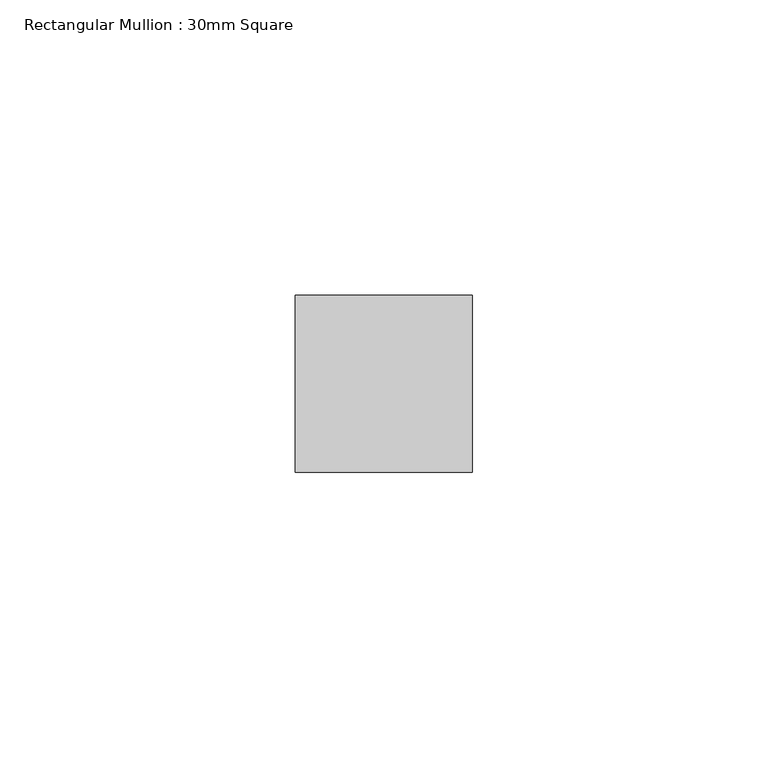
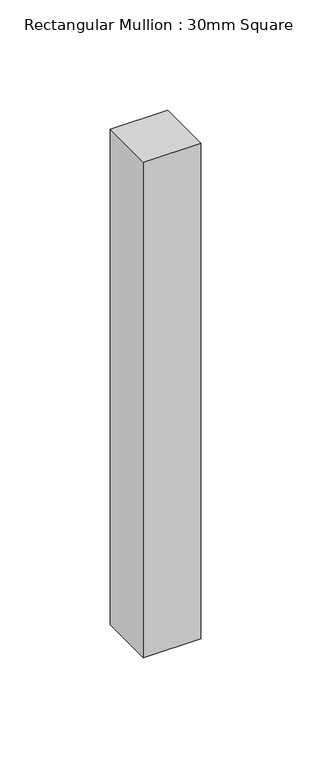
"""IFC4 building model written with IfcOpenShell, lengths in millimetres: member geometry, Rectangular Mullion : 30mm Square."""

from ifc_helpers import new_model, si_unit, frame, origin, place, context, project, spatial, polyline, outline, extrude, source, transform, mapped, element, save


def rectangular_mullion_30mm_square_4b7f29a8(model_context):
    return source(origin(), model_context, "Body", "SweptSolid", [
        extrude(outline(polyline([(15.0, 15.0), (15.0, -15.0), (-15.0, -15.0), (-15.0, 15.0), (15.0, 15.0)])), frame((0.0, 0.0, -274.3973104), z_axis=(0.0, 0.0, 1.0), x_axis=(1.0, 0.0, 0.0)), (0.0, 0.0, 1.0), 274.3973104),
    ])


if __name__ == "__main__":
    model = new_model("IFC4")
    model_context = context("Model", 3, world=origin())
    ifc_project = project(units=[si_unit("LENGTHUNIT", "METRE", prefix="MILLI")], contexts=[model_context])
    site = spatial("IfcSite", under=ifc_project)
    building = spatial("IfcBuilding", under=site)
    placement = place(None, origin())
    rectangular_mullion_30mm_square_shape = rectangular_mullion_30mm_square_4b7f29a8(model_context)
    element("IfcMember", 1, ObjectType="Rectangular Mullion : 30mm Square", at=placement, inside=building, context=model_context, shape_type="MappedRepresentation", body=[
        mapped(rectangular_mullion_30mm_square_shape, transform((0.0, 0.0, 0.0), x_axis=(1.0, 0.0, 0.0), y_axis=(0.0, 1.0, 0.0), z_axis=(0.0, 0.0, 1.0))),
    ])
    save(model, "model.ifc")
